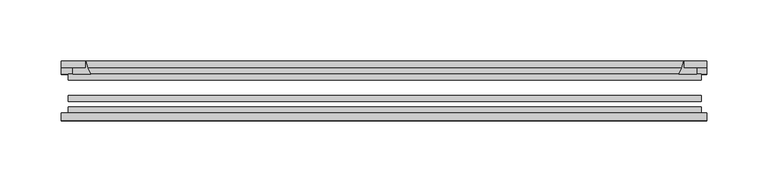
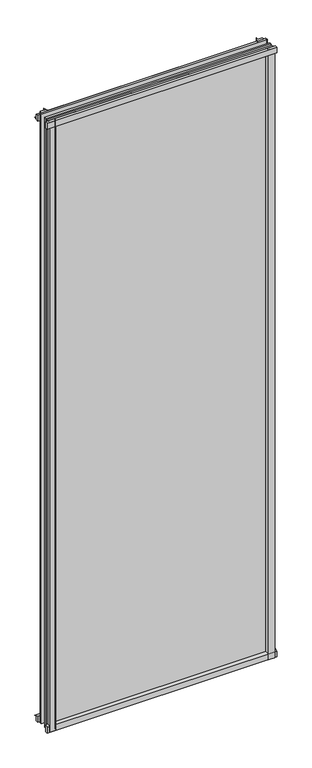
"""IFC4 building model written with IfcOpenShell, lengths in millimetres: plate geometry."""

from ifc_helpers import new_model, si_unit, point, frame, frame_2d, origin, place, context, project, spatial, polyline, circle_curve, trimmed, segment, composite_curve, outline, extrude, source, transform, mapped, element, save


def plate_ec7117db(model_context):
    return source(origin(), model_context, "Body", "SweptSolid", [
        extrude(outline(composite_curve([segment(polyline([(-85.1328625, 1465.5789565), (-78.7828625, 1465.5789565), (-78.7828625, 1449.3288472)]), True, "CONTINUOUS"), segment(trimmed(circle_curve(frame_2d((-85.0581856, 1440.2790918)), 11.0126179), [point((-78.7828625, 1449.3288472))], [point((-85.1328625, 1451.2914565))], True, "CARTESIAN"), True, "CONTINUOUS"), segment(polyline([(-85.1328625, 1451.2914565), (-85.1328625, 1465.5789565)]), True, "CONTINUOUS")], self_intersect=False)), frame((-264.5171875, 0.0, 0.0), z_axis=(1.0, 0.0, 0.0), x_axis=(0.0, 1.0, 0.0)), (0.0, 0.0, 1.0), 527.84375),
        extrude(outline(composite_curve([segment(polyline([(-258.7625, -78.7828625), (-241.9012844, -78.7828625)]), True, "CONTINUOUS"), segment(trimmed(circle_curve(frame_2d((-231.3388809, -86.7604812)), 13.2365693), [point((-241.9012844, -78.7828625))], [point((-244.475, -85.1328625))], True, "CARTESIAN"), True, "CONTINUOUS"), segment(polyline([(-244.475, -85.1328625), (-258.7625, -85.1328625), (-258.7625, -78.7828625)]), True, "CONTINUOUS")], self_intersect=False)), frame((0.0, 0.0, -14.2875), z_axis=(0.0, 0.0, 1.0), x_axis=(1.0, 0.0, 0.0)), (0.0, 0.0, 1.0), 1479.55),
        extrude(outline(composite_curve([segment(polyline([(258.7625, -78.7828625), (258.7625, -85.1328625), (244.475, -85.1328625)]), True, "CONTINUOUS"), segment(trimmed(circle_curve(frame_2d((231.3388809, -86.7604812)), 13.2365693), [point((244.475, -85.1328625))], [point((241.9012844, -78.7828625))], True, "CARTESIAN"), True, "CONTINUOUS"), segment(polyline([(241.9012844, -78.7828625), (258.7625, -78.7828625)]), True, "CONTINUOUS")], self_intersect=False)), frame((0.0, 0.0, -14.2875), z_axis=(0.0, 0.0, 1.0), x_axis=(1.0, 0.0, 0.0)), (0.0, 0.0, 1.0), 1479.55),
        extrude(outline(composite_curve([segment(polyline([(-47.1852625, -10.4712201), (-47.1852625, 3.9588469)]), True, "CONTINUOUS"), segment(trimmed(circle_curve(frame_2d((-30.6824422, 32.267054)), 32.7673262), [point((-47.1852625, 3.9588469))], [point((-36.3503395, -0.00635))], True, "CARTESIAN"), True, "CONTINUOUS"), segment(polyline([(-36.3503395, -0.00635), (-42.2830625, -0.00635), (-42.2830625, -10.4712201), (-47.1852625, -10.4712201)]), True, "CONTINUOUS")], self_intersect=False)), frame((-264.5171875, 0.0, 0.0), z_axis=(1.0, 0.0, 0.0), x_axis=(0.0, 1.0, 0.0)), (0.0, 0.0, 1.0), 527.84375),
        extrude(outline(composite_curve([segment(polyline([(-78.7828625, -14.2875), (-85.1328625, -14.2875), (-85.1328625, -0.0127)]), True, "CONTINUOUS"), segment(trimmed(circle_curve(frame_2d((-86.7604812, 13.1234191)), 13.2365693), [point((-85.1328625, -0.0127))], [point((-78.7828625, 2.5610156))], True, "CARTESIAN"), True, "CONTINUOUS"), segment(polyline([(-78.7828625, 2.5610156), (-78.7828625, -14.2875)]), True, "CONTINUOUS")], self_intersect=False)), frame((-264.5171875, 0.0, 0.0), z_axis=(1.0, 0.0, 0.0), x_axis=(0.0, 1.0, 0.0)), (0.0, 0.0, 1.0), 527.84375),
        extrude(outline(composite_curve([segment(polyline([(-47.1852625, 1447.0034531), (-47.1852625, 1461.6752564), (-42.2830625, 1461.6752564), (-42.2830625, 1450.975), (-36.3140625, 1450.975)]), True, "CONTINUOUS"), segment(trimmed(circle_curve(frame_2d((-30.6824422, 1418.695246)), 32.7673262), [point((-36.3140625, 1450.975))], [point((-47.1852625, 1447.0034531))], True, "CARTESIAN"), True, "CONTINUOUS")], self_intersect=False)), frame((-264.5171875, 0.0, 0.0), z_axis=(1.0, 0.0, 0.0), x_axis=(0.0, 1.0, 0.0)), (0.0, 0.0, 1.0), 527.84375),
        extrude(outline(composite_curve([segment(trimmed(circle_curve(frame_2d((212.195246, -30.6824422)), 32.7673262), [point((240.5034531, -47.1852625))], [point((244.475, -36.3140625))], True, "CARTESIAN"), True, "CONTINUOUS"), segment(polyline([(244.475, -36.3140625), (244.475, -42.2830625), (255.1753653, -42.2830625), (255.1753653, -47.1852625), (240.5034531, -47.1852625)]), True, "CONTINUOUS")], self_intersect=False)), frame((0.0, 0.0, -14.2875), z_axis=(0.0, 0.0, 1.0), x_axis=(1.0, 0.0, 0.0)), (0.0, 0.0, 1.0), 1479.55),
        extrude(outline(composite_curve([segment(polyline([(-240.5034531, -47.1852625), (-255.1702092, -47.1852625), (-255.1702092, -42.2830625), (-244.475, -42.2830625), (-244.475, -36.3140625)]), True, "CONTINUOUS"), segment(trimmed(circle_curve(frame_2d((-212.195246, -30.6824422)), 32.7673262), [point((-244.475, -36.3140625))], [point((-240.5034531, -47.1852625))], True, "CARTESIAN"), True, "CONTINUOUS")], self_intersect=False)), frame((0.0, 0.0, -14.2875), z_axis=(0.0, 0.0, 1.0), x_axis=(1.0, 0.0, 0.0)), (0.0, 0.0, 1.0), 1479.55),
        extrude(outline(polyline([(258.7625, -64.6604625), (258.7625, -69.4356625), (-258.7625, -69.4356625), (-258.7625, -64.6604625), (258.7625, -64.6604625)])), frame((0.0, 0.0, -14.2875), z_axis=(0.0, 0.0, 1.0), x_axis=(1.0, 0.0, 0.0)), (0.0, 0.0, 1.0), 1479.55),
        extrude(outline(polyline([(-258.7625, -78.7828625), (-258.7625, -74.0076625), (258.7625, -74.0076625), (258.7625, -78.7828625), (-258.7625, -78.7828625)])), frame((0.0, 0.0, -14.2875), z_axis=(0.0, 0.0, 1.0), x_axis=(1.0, 0.0, 0.0)), (0.0, 0.0, 1.0), 1479.55),
        extrude(outline(polyline([(-258.7625, -47.1852625), (258.7625, -47.1852625), (258.7625, -51.9604625), (-258.7625, -51.9604625), (-258.7625, -47.1852625)])), frame((0.0, 0.0, -14.2875), z_axis=(0.0, 0.0, 1.0), x_axis=(1.0, 0.0, 0.0)), (0.0, 0.0, 1.0), 1479.55),
    ])


if __name__ == "__main__":
    model = new_model("IFC4")
    model_context = context("Model", 3, world=origin())
    ifc_project = project(units=[si_unit("LENGTHUNIT", "METRE", prefix="MILLI")], contexts=[model_context])
    site = spatial("IfcSite", under=ifc_project)
    building = spatial("IfcBuilding", under=site)
    placement = place(None, origin())
    plate_shape = plate_ec7117db(model_context)
    element("IfcPlate", 1, at=placement, inside=building, context=model_context, shape_type="MappedRepresentation", body=[
        mapped(plate_shape, transform((0.0, 0.0, 0.0), x_axis=(1.0, 0.0, 0.0), y_axis=(0.0, 1.0, 0.0), z_axis=(0.0, 0.0, 1.0))),
    ])
    save(model, "model.ifc")
